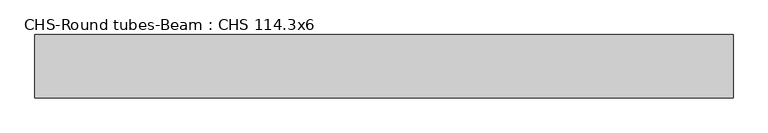
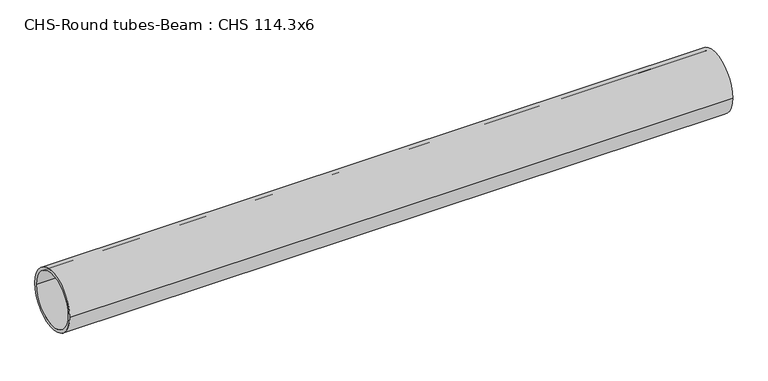
"""IFC4 building model written with IfcOpenShell, lengths in millimetres: beam geometry, CHS-Round tubes-Beam : CHS 114.3x6."""

from ifc_helpers import new_model, si_unit, point, frame, origin, origin_2d, place, context, project, spatial, circle_curve, trimmed, segment, composite_curve, outline, extrude, source, transform, mapped, element, save


def chs_round_tubes_beam_chs_114_3x6_d7fb4c5a(model_context):
    return source(origin(), model_context, "Body", "SweptSolid", [
        extrude(outline(composite_curve([segment(trimmed(circle_curve(origin_2d(), 57.15), [point((57.15, 0.0))], [point((-57.15, 0.0))], False, "CARTESIAN"), True, "CONTINUOUS"), segment(trimmed(circle_curve(origin_2d(), 57.15), [point((-57.15, 0.0))], [point((57.15, 0.0))], False, "CARTESIAN"), True, "CONTINUOUS")], self_intersect=False), holes=[composite_curve([segment(trimmed(circle_curve(origin_2d(), 51.15), [point((51.15, 0.0))], [point((-51.15, 0.0))], True, "CARTESIAN"), True, "CONTINUOUS"), segment(trimmed(circle_curve(origin_2d(), 51.15), [point((-51.15, 0.0))], [point((51.15, 0.0))], True, "CARTESIAN"), True, "CONTINUOUS")], self_intersect=False)]), frame((-637.7372187, 0.0, 0.0), z_axis=(1.0, 0.0, 0.0), x_axis=(0.0, 1.0, 0.0)), (0.0, 0.0, 1.0), 1255.9310649),
    ])


if __name__ == "__main__":
    model = new_model("IFC4")
    model_context = context("Model", 3, world=origin())
    ifc_project = project(units=[si_unit("LENGTHUNIT", "METRE", prefix="MILLI")], contexts=[model_context])
    site = spatial("IfcSite", under=ifc_project)
    building = spatial("IfcBuilding", under=site)
    placement = place(None, origin())
    chs_round_tubes_beam_chs_114_3x6_shape = chs_round_tubes_beam_chs_114_3x6_d7fb4c5a(model_context)
    element("IfcBeam", 1, ObjectType="CHS-Round tubes-Beam : CHS 114.3x6", at=placement, inside=building, context=model_context, shape_type="MappedRepresentation", body=[
        mapped(chs_round_tubes_beam_chs_114_3x6_shape, transform((0.0, 0.0, 0.0), x_axis=(1.0, 0.0, 0.0), y_axis=(0.0, 1.0, 0.0), z_axis=(0.0, 0.0, 1.0))),
    ])
    save(model, "model.ifc")
